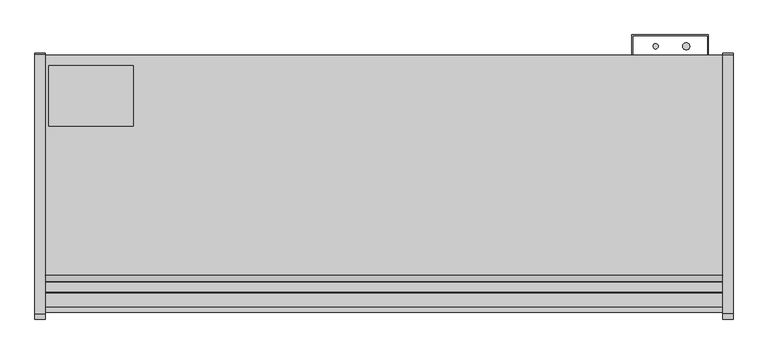
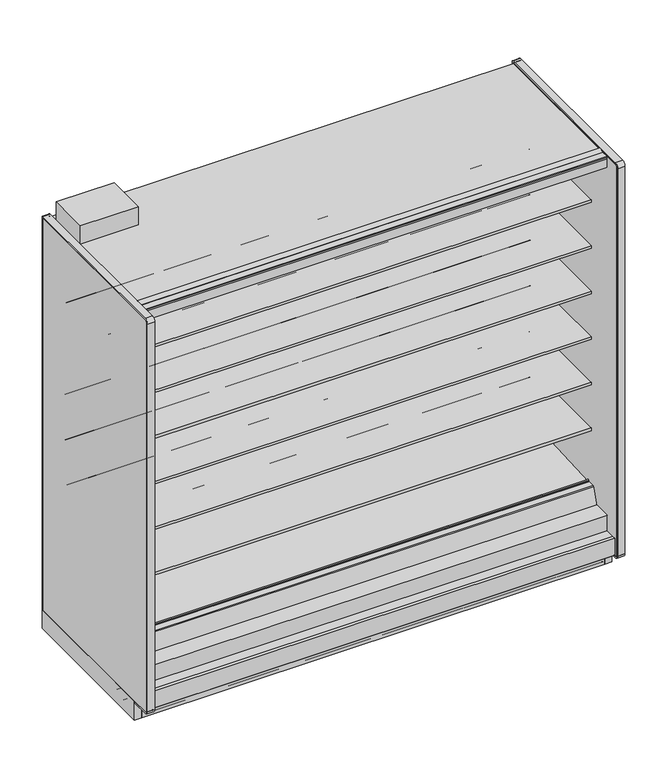
"""IFC4 building model written with IfcOpenShell, lengths in millimetres: proxy geometry."""

from ifc_helpers import new_model, si_unit, point, frame, frame_2d, origin, origin_with_axes, place, context, project, spatial, polyline, circle_curve, trimmed, segment, composite_curve, outline, extrude, source, transform, mapped, element, save
from ifc_brep_helpers import plane_surface, cylinder_surface, revolved_surface, advanced_brep


def mechanical_equipment_7e0e63e9(model_context):
    return source(origin(), model_context, "Body", "SolidModel", [
        extrude(outline(polyline([(2438.4, -1167.5349267), (2438.4, -1183.4099267), (0.0, -1183.4099267), (0.0, -1167.5349267), (2438.4, -1167.5349267)])), origin_with_axes(), (0.0, 0.0, 1.0), 105.16235),
        extrude(outline(polyline([(315.9000882, -386.7007273), (315.9000882, -605.1295388), (11.1115648, -605.1295388), (11.1115648, -386.7007273), (315.9000882, -386.7007273)])), frame((0.0, 0.0, 2282.825), z_axis=(0.0, 0.0, 1.0), x_axis=(1.0, 0.0, 0.0)), (0.0, 0.0, 1.0), 101.6),
        extrude(outline(composite_curve([segment(trimmed(circle_curve(frame_2d((2307.5930803, -317.2571273)), 12.7), [point((2294.8930803, -317.2571273))], [point((2320.2930803, -317.2571273))], False, "CARTESIAN"), True, "CONTINUOUS"), segment(trimmed(circle_curve(frame_2d((2307.5930803, -317.2571273)), 12.7), [point((2320.2930803, -317.2571273))], [point((2294.8930803, -317.2571273))], False, "CARTESIAN"), True, "CONTINUOUS")], self_intersect=False)), frame((0.0, 0.0, 1447.6965458), z_axis=(0.0, 0.0, 1.0), x_axis=(1.0, 0.0, 0.0)), (0.0, 0.0, 1.0), 508.0),
        extrude(outline(composite_curve([segment(trimmed(circle_curve(frame_2d((2197.6004524, -317.2571273)), 9.525), [point((2188.0754524, -317.2571273))], [point((2207.1254524, -317.2571273))], False, "CARTESIAN"), True, "CONTINUOUS"), segment(trimmed(circle_curve(frame_2d((2197.6004524, -317.2571273)), 9.525), [point((2207.1254524, -317.2571273))], [point((2188.0754524, -317.2571273))], False, "CARTESIAN"), True, "CONTINUOUS")], self_intersect=False)), frame((0.0, 0.0, 1447.6965458), z_axis=(0.0, 0.0, 1.0), x_axis=(1.0, 0.0, 0.0)), (0.0, 0.0, 1.0), 508.0),
        extrude(outline(composite_curve([segment(trimmed(circle_curve(frame_2d((2299.2004524, -526.8071273)), 9.525), [point((2289.6754524, -526.8071273))], [point((2308.7254524, -526.8071273))], False, "CARTESIAN"), True, "CONTINUOUS"), segment(trimmed(circle_curve(frame_2d((2299.2004524, -526.8071273)), 9.525), [point((2308.7254524, -526.8071273))], [point((2289.6754524, -526.8071273))], False, "CARTESIAN"), True, "CONTINUOUS")], self_intersect=False)), frame((0.0, 0.0, 57.8450688), z_axis=(0.0, 0.0, 1.0), x_axis=(1.0, 0.0, 0.0)), (0.0, 0.0, 1.0), 47.3172812),
        extrude(outline(composite_curve([segment(trimmed(circle_curve(frame_2d((2345.6930803, -526.8071273)), 12.7), [point((2332.9930803, -526.8071273))], [point((2358.3930803, -526.8071273))], False, "CARTESIAN"), True, "CONTINUOUS"), segment(trimmed(circle_curve(frame_2d((2345.6930803, -526.8071273)), 12.7), [point((2358.3930803, -526.8071273))], [point((2332.9930803, -526.8071273))], False, "CARTESIAN"), True, "CONTINUOUS")], self_intersect=False)), frame((0.0, 0.0, 57.8450688), z_axis=(0.0, 0.0, 1.0), x_axis=(1.0, 0.0, 0.0)), (0.0, 0.0, 1.0), 47.3172812),
        extrude(outline(composite_curve([segment(trimmed(circle_curve(frame_2d((1219.2, -945.9071273)), 38.1), [point((1181.1, -945.9071273))], [point((1257.3, -945.9071273))], False, "CARTESIAN"), True, "CONTINUOUS"), segment(trimmed(circle_curve(frame_2d((1219.2, -945.9071273)), 38.1), [point((1257.3, -945.9071273))], [point((1181.1, -945.9071273))], False, "CARTESIAN"), True, "CONTINUOUS")], self_intersect=False)), frame((0.0, 0.0, 57.8450688), z_axis=(0.0, 0.0, 1.0), x_axis=(1.0, 0.0, 0.0)), (0.0, 0.0, 1.0), 47.3172812),
        extrude(outline(polyline([(114.3, -411.7999572), (114.3, -462.5999572), (0.0, -462.5999572), (0.0, -411.7999572), (114.3, -411.7999572)])), frame((0.0, 0.0, 63.88735), z_axis=(0.0, 0.0, 1.0), x_axis=(1.0, 0.0, 0.0)), (0.0, 0.0, 1.0), 6.35),
        extrude(outline(polyline([(-349.0071273, 2231.5678), (-349.0071273, 105.16235), (-1256.6126273, 105.16235), (-1256.6126273, 201.2447768), (-1205.5205047, 201.2447768), (-1205.5205047, 169.3369447), (-1112.6665508, 150.0632248), (-401.0517273, 187.3573774), (-401.0517273, 2231.5678), (-349.0071273, 2231.5678)])), frame((0.0, 0.0, 0.0), z_axis=(1.0, 0.0, 0.0), x_axis=(0.0, 1.0, 0.0)), (0.0, 0.0, 1.0), 2438.4),
        advanced_brep(
        [(2438.4, -1018.871097, 105.16235), (2438.4, -1022.1071273, 101.9263197), (2438.4, -1022.1071273, 2.3876), (2438.4, -1019.7195273, 0.0), (2438.4, -982.0132273, 0.0), (2438.4, -982.0132273, 70.23735), (2438.4, -383.2457368, 70.23735), (2438.4, -383.2457368, 0.0), (2438.4, -351.3947273, 0.0), (2438.4, -349.0071273, 2.3876), (2438.4, -349.0071273, 100.830191), (2438.4, -353.3392863, 105.16235), (0.0, -1018.871097, 105.16235), (0.0, -353.3392863, 105.16235), (0.0, -349.0071273, 100.830191), (0.0, -349.0071273, 2.3876), (0.0, -351.3947273, 0.0), (0.0, -383.2457368, 0.0), (0.0, -383.2457368, 70.23735), (0.0, -982.0132273, 70.23735), (0.0, -982.0132273, 0.0), (0.0, -1019.7195273, 0.0), (0.0, -1022.1071273, 2.3876), (0.0, -1022.1071273, 101.9263197), (1270.0, -945.9071273, 105.16235), (1168.4, -945.9071273, 105.16235), (2374.9, -526.8071273, 105.16235), (2273.3, -526.8071273, 105.16235), (1183.4650095, -982.0132273, 70.23735), (1254.9349905, -982.0132273, 70.23735), (1270.0, -945.9071273, 70.23735), (1168.4, -945.9071273, 70.23735), (2273.3, -526.8071273, 70.23735), (2374.9, -526.8071273, 70.23735)],
        [
            (0, 1, circle_curve(frame((2438.4, -1018.871097, 101.9263197), z_axis=(1.0, 0.0, 0.0), x_axis=(0.0, 1.0, 0.0)), 3.2360303)),
            (1, 2),
            (2, 3, circle_curve(frame((2438.4, -1019.7195273, 2.3876), z_axis=(1.0, 0.0, 0.0), x_axis=(0.0, 1.0, 0.0)), 2.3876)),
            (3, 4),
            (4, 5),
            (5, 6),
            (6, 7),
            (7, 8),
            (8, 9, circle_curve(frame((2438.4, -351.3947273, 2.3876), z_axis=(1.0, 0.0, 0.0), x_axis=(0.0, 1.0, 0.0)), 2.3876)),
            (9, 10),
            (10, 11, circle_curve(frame((2438.4, -353.3392863, 100.830191), z_axis=(1.0, 0.0, 0.0), x_axis=(0.0, 1.0, 0.0)), 4.332159)),
            (11, 0),
            (12, 13),
            (13, 14, circle_curve(frame((0.0, -353.3392863, 100.830191), z_axis=(-1.0, 0.0, 0.0), x_axis=(0.0, 1.0, 0.0)), 4.332159)),
            (14, 15),
            (15, 16, circle_curve(frame((0.0, -351.3947273, 2.3876), z_axis=(-1.0, 0.0, 0.0), x_axis=(0.0, 1.0, 0.0)), 2.3876)),
            (16, 17),
            (17, 18),
            (18, 19),
            (19, 20),
            (20, 21),
            (21, 22, circle_curve(frame((0.0, -1019.7195273, 2.3876), z_axis=(-1.0, 0.0, 0.0), x_axis=(0.0, 1.0, 0.0)), 2.3876)),
            (22, 23),
            (23, 12, circle_curve(frame((0.0, -1018.871097, 101.9263197), z_axis=(-1.0, 0.0, 0.0), x_axis=(0.0, 1.0, 0.0)), 3.2360303)),
            (10, 14),
            (13, 11),
            (12, 0),
            (24, 25, circle_curve(frame((1219.2, -945.9071273, 105.16235), z_axis=(0.0, 0.0, -1.0), x_axis=(1.0, 0.0, 0.0)), 50.8)),
            (25, 24, circle_curve(frame((1219.2, -945.9071273, 105.16235), z_axis=(0.0, 0.0, -1.0), x_axis=(1.0, 0.0, 0.0)), 50.8)),
            (26, 27, circle_curve(frame((2324.1, -526.8071273, 105.16235), z_axis=(0.0, 0.0, -1.0), x_axis=(1.0, 0.0, 0.0)), 50.8)),
            (27, 26, circle_curve(frame((2324.1, -526.8071273, 105.16235), z_axis=(0.0, 0.0, -1.0), x_axis=(1.0, 0.0, 0.0)), 50.8)),
            (23, 1),
            (22, 2),
            (21, 3),
            (20, 4),
            (19, 28),
            (28, 29),
            (29, 5),
            (29, 30, circle_curve(frame((1219.2, -945.9071273, 70.23735), z_axis=(0.0, 0.0, 1.0), x_axis=(1.0, 0.0, 0.0)), 50.8)),
            (30, 31, circle_curve(frame((1219.2, -945.9071273, 70.23735), z_axis=(0.0, 0.0, 1.0), x_axis=(1.0, 0.0, 0.0)), 50.8)),
            (31, 28, circle_curve(frame((1219.2, -945.9071273, 70.23735), z_axis=(0.0, 0.0, 1.0), x_axis=(1.0, 0.0, 0.0)), 50.8)),
            (18, 6),
            (32, 33, circle_curve(frame((2324.1, -526.8071273, 70.23735), z_axis=(0.0, 0.0, 1.0), x_axis=(1.0, 0.0, 0.0)), 50.8)),
            (33, 32, circle_curve(frame((2324.1, -526.8071273, 70.23735), z_axis=(0.0, 0.0, 1.0), x_axis=(1.0, 0.0, 0.0)), 50.8)),
            (17, 7),
            (16, 8),
            (15, 9),
            (28, 29, circle_curve(frame((1219.2, -945.9071273, 70.23735), z_axis=(0.0, 0.0, 1.0), x_axis=(1.0, 0.0, 0.0)), 50.8)),
            (24, 30),
            (31, 25),
            (32, 27),
            (26, 33),
        ],
        [
            plane_surface(frame((2438.4, -1015.6350667, 101.9263197), z_axis=(1.0, 0.0, 0.0), x_axis=(0.0, 0.0, 1.0))),
            plane_surface(frame((0.0, -1015.6350667, 101.9263197), z_axis=(-1.0, 0.0, 0.0), x_axis=(0.0, 0.0, -1.0))),
            cylinder_surface(frame((0.0, -353.3392863, 100.830191), z_axis=(1.0, 0.0, 0.0), x_axis=(0.0, 1.0, 0.0)), 4.332159),
            plane_surface(frame((2438.4, -353.3392863, 105.16235), z_axis=(0.0, 0.0, 1.0), x_axis=(-1.0, 0.0, 0.0))),
            cylinder_surface(frame((0.0, -1018.871097, 101.9263197), z_axis=(1.0, 0.0, 0.0), x_axis=(0.0, 1.0, 0.0)), 3.2360303),
            plane_surface(frame((2438.4, -1022.1071273, 101.9263197), z_axis=(0.0, -1.0, 0.0), x_axis=(-1.0, 0.0, 0.0))),
            cylinder_surface(frame((0.0, -1019.7195273, 2.3876), z_axis=(1.0, 0.0, 0.0), x_axis=(0.0, 1.0, 0.0)), 2.3876),
            plane_surface(frame((2438.4, -1019.7195273, 0.0), z_axis=(0.0, 0.0, -1.0), x_axis=(-1.0, 0.0, 0.0))),
            plane_surface(frame((2438.4, -982.0132273, 0.0), z_axis=(0.0, 1.0, 0.0), x_axis=(-1.0, 0.0, 0.0))),
            plane_surface(frame((2438.4, -982.0132273, 70.23735), z_axis=(0.0, 0.0, -1.0), x_axis=(-1.0, 0.0, 0.0))),
            plane_surface(frame((2438.4, -383.2457368, 70.23735), z_axis=(0.0, -1.0, 0.0), x_axis=(-1.0, 0.0, 0.0))),
            plane_surface(frame((2438.4, -383.2457368, 0.0), z_axis=(0.0, 0.0, -1.0), x_axis=(-1.0, 0.0, 0.0))),
            cylinder_surface(frame((0.0, -351.3947273, 2.3876), z_axis=(1.0, 0.0, 0.0), x_axis=(0.0, 1.0, 0.0)), 2.3876),
            plane_surface(frame((1270.0, -945.9071273, 70.23735), z_axis=(0.0, 0.0, 1.0), x_axis=(0.0, -1.0, 0.0))),
            revolved_surface(polyline([(1270.0, -945.9071273, 105.16235), (1270.0, -945.9071273, 70.23735)]), (1219.2, -945.9071273, 70.23735), (0.0, 0.0, 1.0)),
            revolved_surface(polyline([(2374.9, -526.8071273, 105.16235), (2374.9, -526.8071273, 70.23735)]), (2324.1, -526.8071273, 0.0), (0.0, 0.0, 1.0)),
            plane_surface(frame((2438.4, -349.0071273, 2.3876), z_axis=(0.0, 1.0, 0.0), x_axis=(-1.0, 0.0, 0.0))),
        ],
        [
            (0, [[1, 2, 3, 4, 5, 6, 7, 8, 9, 10, 11, 12]]),
            (1, [[13, 14, 15, 16, 17, 18, 19, 20, 21, 22, 23, 24]]),
            (2, [[-11, 25, -14, 26]]),
            (3, [[-12, -26, -13, 27], [28, 29], [30, 31]]),
            (4, [[-1, -27, -24, 32]]),
            (5, [[-2, -32, -23, 33]]),
            (6, [[-3, -33, -22, 34]]),
            (7, [[-4, -34, -21, 35]]),
            (8, [[-5, -35, -20, 36, 37, 38]]),
            (9, [[-6, -38, 39, 40, 41, -36, -19, 42], [43, 44]]),
            (10, [[-7, -42, -18, 45]]),
            (11, [[-8, -45, -17, 46]]),
            (12, [[-9, -46, -16, 47]]),
            (13, [[48, -37]]),
            (14, [[49, -39, -48, -41, 50, -28]]),
            (14, [[-49, -29, -50, -40]]),
            (15, [[51, -30, 52, -43]]),
            (15, [[-51, -44, -52, -31]]),
            (16, [[-10, -47, -15, -25]]),
        ],
    ),
        extrude(outline(polyline([(2111.375, -349.0071273), (2111.375, -275.9821273), (2387.6, -275.9821273), (2387.6, -349.0071273), (2384.425, -349.0071273), (2384.425, -279.1571273), (2114.55, -279.1571273), (2114.55, -349.0071273), (2111.375, -349.0071273)])), frame((0.0, 0.0, 304.927), z_axis=(0.0, 0.0, 1.0), x_axis=(1.0, 0.0, 0.0)), (0.0, 0.0, 1.0), 1523.3666145),
        extrude(outline(composite_curve([segment(polyline([(-452.3089273, 610.906076), (-470.5727913, 610.5955195)]), True, "CONTINUOUS"), segment(trimmed(circle_curve(frame_2d((-471.0046274, 635.9918483)), 25.4), [point((-470.5727913, 610.5955195))], [point((-486.9819836, 616.2463656))], False, "CARTESIAN"), True, "CONTINUOUS"), segment(polyline([(-486.9819836, 616.2463656), (-504.8340447, 630.6916311)]), True, "CONTINUOUS"), segment(trimmed(circle_curve(frame_2d((-544.7774354, 581.3279244)), 63.5), [point((-504.8340447, 630.6916311))], [point((-536.8795542, 644.3348563))], True, "CARTESIAN"), True, "CONTINUOUS"), segment(polyline([(-536.8795542, 644.3348563), (-751.3282218, 668.0319937), (-752.8169983, 671.4725458), (-1061.9089273, 671.4725458), (-1061.9089273, 685.6965458), (-452.3089273, 685.6965458), (-452.3089273, 610.906076)]), True, "CONTINUOUS")], self_intersect=False)), frame((0.0, 0.0, 0.0), z_axis=(1.0, 0.0, 0.0), x_axis=(0.0, 1.0, 0.0)), (0.0, 0.0, 1.0), 2438.4),
        extrude(outline(composite_curve([segment(polyline([(-452.3089273, 864.906076), (-470.5727913, 864.5955195)]), True, "CONTINUOUS"), segment(trimmed(circle_curve(frame_2d((-471.0046274, 889.9918483)), 25.4), [point((-470.5727913, 864.5955195))], [point((-486.9819836, 870.2463656))], False, "CARTESIAN"), True, "CONTINUOUS"), segment(polyline([(-486.9819836, 870.2463656), (-504.8340447, 884.6916311)]), True, "CONTINUOUS"), segment(trimmed(circle_curve(frame_2d((-544.7774354, 835.3279244)), 63.5), [point((-504.8340447, 884.6916311))], [point((-536.8795542, 898.3348563))], True, "CARTESIAN"), True, "CONTINUOUS"), segment(polyline([(-536.8795542, 898.3348563), (-751.3282218, 922.0319937), (-752.8169983, 925.4725458), (-1061.9089273, 925.4725458), (-1061.9089273, 939.6965458), (-452.3089273, 939.6965458), (-452.3089273, 864.906076)]), True, "CONTINUOUS")], self_intersect=False)), frame((0.0, 0.0, 0.0), z_axis=(1.0, 0.0, 0.0), x_axis=(0.0, 1.0, 0.0)), (0.0, 0.0, 1.0), 2438.4),
        extrude(outline(composite_curve([segment(polyline([(-452.3089273, 1118.906076), (-470.5727913, 1118.5955195)]), True, "CONTINUOUS"), segment(trimmed(circle_curve(frame_2d((-471.0046274, 1143.9918483)), 25.4), [point((-470.5727913, 1118.5955195))], [point((-486.9819836, 1124.2463656))], False, "CARTESIAN"), True, "CONTINUOUS"), segment(polyline([(-486.9819836, 1124.2463656), (-504.8340447, 1138.6916311)]), True, "CONTINUOUS"), segment(trimmed(circle_curve(frame_2d((-544.7774354, 1089.3279244)), 63.5), [point((-504.8340447, 1138.6916311))], [point((-536.8795542, 1152.3348563))], True, "CARTESIAN"), True, "CONTINUOUS"), segment(polyline([(-536.8795542, 1152.3348563), (-751.3282218, 1176.0319937), (-752.8169983, 1179.4725458), (-1061.9089273, 1179.4725458), (-1061.9089273, 1193.6965458), (-452.3089273, 1193.6965458), (-452.3089273, 1118.906076)]), True, "CONTINUOUS")], self_intersect=False)), frame((0.0, 0.0, 0.0), z_axis=(1.0, 0.0, 0.0), x_axis=(0.0, 1.0, 0.0)), (0.0, 0.0, 1.0), 2438.4),
        extrude(outline(composite_curve([segment(polyline([(-452.3089273, 1372.906076), (-470.5727913, 1372.5955195)]), True, "CONTINUOUS"), segment(trimmed(circle_curve(frame_2d((-471.0046274, 1397.9918483)), 25.4), [point((-470.5727913, 1372.5955195))], [point((-486.9819836, 1378.2463656))], False, "CARTESIAN"), True, "CONTINUOUS"), segment(polyline([(-486.9819836, 1378.2463656), (-504.8340447, 1392.6916311)]), True, "CONTINUOUS"), segment(trimmed(circle_curve(frame_2d((-544.7774354, 1343.3279244)), 63.5), [point((-504.8340447, 1392.6916311))], [point((-536.8795542, 1406.3348563))], True, "CARTESIAN"), True, "CONTINUOUS"), segment(polyline([(-536.8795542, 1406.3348563), (-751.3282218, 1430.0319937), (-752.8169983, 1433.4725458), (-1061.9089273, 1433.4725458), (-1061.9089273, 1447.6965458), (-452.3089273, 1447.6965458), (-452.3089273, 1372.906076)]), True, "CONTINUOUS")], self_intersect=False)), frame((0.0, 0.0, 0.0), z_axis=(1.0, 0.0, 0.0), x_axis=(0.0, 1.0, 0.0)), (0.0, 0.0, 1.0), 2438.4),
        extrude(outline(composite_curve([segment(polyline([(-452.3089273, 1626.906076), (-470.5727913, 1626.5955195)]), True, "CONTINUOUS"), segment(trimmed(circle_curve(frame_2d((-471.0046274, 1651.9918483)), 25.4), [point((-470.5727913, 1626.5955195))], [point((-486.9819836, 1632.2463656))], False, "CARTESIAN"), True, "CONTINUOUS"), segment(polyline([(-486.9819836, 1632.2463656), (-504.8340447, 1646.6916311)]), True, "CONTINUOUS"), segment(trimmed(circle_curve(frame_2d((-544.7774354, 1597.3279244)), 63.5), [point((-504.8340447, 1646.6916311))], [point((-536.8795542, 1660.3348563))], True, "CARTESIAN"), True, "CONTINUOUS"), segment(polyline([(-536.8795542, 1660.3348563), (-751.3282218, 1684.0319937), (-752.8169983, 1687.4725458), (-1061.9089273, 1687.4725458), (-1061.9089273, 1701.6965458), (-452.3089273, 1701.6965458), (-452.3089273, 1626.906076)]), True, "CONTINUOUS")], self_intersect=False)), frame((0.0, 0.0, 0.0), z_axis=(1.0, 0.0, 0.0), x_axis=(0.0, 1.0, 0.0)), (0.0, 0.0, 1.0), 2438.4),
        extrude(outline(composite_curve([segment(polyline([(-452.3089273, 1880.906076), (-470.5727913, 1880.5955195)]), True, "CONTINUOUS"), segment(trimmed(circle_curve(frame_2d((-471.0046274, 1905.9918483)), 25.4), [point((-470.5727913, 1880.5955195))], [point((-486.9819836, 1886.2463656))], False, "CARTESIAN"), True, "CONTINUOUS"), segment(polyline([(-486.9819836, 1886.2463656), (-504.8340447, 1900.6916311)]), True, "CONTINUOUS"), segment(trimmed(circle_curve(frame_2d((-544.7774354, 1851.3279244)), 63.5), [point((-504.8340447, 1900.6916311))], [point((-536.8795542, 1914.3348563))], True, "CARTESIAN"), True, "CONTINUOUS"), segment(polyline([(-536.8795542, 1914.3348563), (-751.3282218, 1938.0319937), (-752.8169983, 1941.4725458), (-1061.9089273, 1941.4725458), (-1061.9089273, 1955.6965458), (-452.3089273, 1955.6965458), (-452.3089273, 1880.906076)]), True, "CONTINUOUS")], self_intersect=False)), frame((0.0, 0.0, 0.0), z_axis=(1.0, 0.0, 0.0), x_axis=(0.0, 1.0, 0.0)), (0.0, 0.0, 1.0), 2438.4),
        advanced_brep(
        [(2438.4, -562.1054156, 392.489408), (2438.4, -565.4345004, 395.3833373), (2438.4, -1028.1778581, 371.1319845), (2438.4, -1031.8816746, 374.3516629), (2438.4, -1032.3723429, 379.9600263), (2438.4, -1039.3602618, 380.0840123), (2438.4, -1037.6796074, 360.8740328), (2438.4, -1031.0214377, 355.0861739), (2438.4, -564.4043684, 379.5405382), (2438.4, -561.4040704, 382.9438378), (0.0, -562.1054156, 392.489408), (0.0, -561.4040704, 382.9438378), (0.0, -564.4043684, 379.5405382), (0.0, -1031.0214377, 355.0861739), (0.0, -1037.6796074, 360.8740328), (0.0, -1039.3602618, 380.0840123), (0.0, -1032.4336802, 379.95466), (0.0, -1031.8816746, 374.3516629), (0.0, -1028.1778581, 371.1319845), (0.0, -565.4345004, 395.3833373)],
        [
            (0, 1, circle_curve(frame((2438.4, -565.2683338, 392.2126885), z_axis=(1.0, 0.0, 0.0), x_axis=(0.0, 1.0, 0.0)), 3.175)),
            (1, 2),
            (2, 3, circle_curve(frame((2438.4, -1028.362729, 374.6595308), z_axis=(-1.0, 0.0, 0.0), x_axis=(0.0, 1.0, 0.0)), 3.5323874)),
            (3, 4),
            (4, 5, circle_curve(frame((2438.4, -1035.9038485, 379.6510595), z_axis=(1.0, 0.0, 0.0), x_axis=(0.0, 1.0, 0.0)), 3.4834238)),
            (5, 6),
            (6, 7, circle_curve(frame((2438.4, -1031.353771, 361.4274714), z_axis=(1.0, 0.0, 0.0), x_axis=(0.0, 1.0, 0.0)), 6.35)),
            (7, 8),
            (8, 9, circle_curve(frame((2438.4, -564.5705351, 382.711187), z_axis=(1.0, 0.0, 0.0), x_axis=(0.0, 1.0, 0.0)), 3.175)),
            (9, 0),
            (10, 11),
            (11, 12, circle_curve(frame((0.0, -564.5705351, 382.711187), z_axis=(-1.0, 0.0, 0.0), x_axis=(0.0, 1.0, 0.0)), 3.175)),
            (12, 13),
            (13, 14, circle_curve(frame((0.0, -1031.353771, 361.4274714), z_axis=(-1.0, 0.0, 0.0), x_axis=(0.0, 1.0, 0.0)), 6.35)),
            (14, 15),
            (15, 16, circle_curve(frame((0.0, -1035.9038485, 379.6510595), z_axis=(-1.0, 0.0, 0.0), x_axis=(0.0, 1.0, 0.0)), 3.4834238)),
            (16, 17),
            (17, 18, circle_curve(frame((0.0, -1028.362729, 374.6595308), z_axis=(1.0, 0.0, 0.0), x_axis=(0.0, 1.0, 0.0)), 3.5323874)),
            (18, 19),
            (19, 10, circle_curve(frame((0.0, -565.2683338, 392.2126885), z_axis=(-1.0, 0.0, 0.0), x_axis=(0.0, 1.0, 0.0)), 3.175)),
            (0, 10),
            (19, 1),
            (18, 2),
            (17, 3),
            (16, 4),
            (15, 5),
            (14, 6),
            (13, 7),
            (12, 8),
            (11, 9),
        ],
        [
            plane_surface(frame((2438.4, -562.0933338, 392.2126885), z_axis=(1.0, 0.0, 0.0), x_axis=(0.0, 0.0, 1.0))),
            plane_surface(frame((0.0, -562.0933338, 392.2126885), z_axis=(-1.0, 0.0, 0.0), x_axis=(0.0, 0.0, -1.0))),
            cylinder_surface(frame((0.0, -565.2683338, 392.2126885), z_axis=(1.0, 0.0, 0.0), x_axis=(0.0, 1.0, 0.0)), 3.175),
            plane_surface(frame((2438.4, -565.4345004, 395.3833373), z_axis=(0.0, -0.05233595857633936, 0.9986295346322859), x_axis=(-1.0, 0.0, 0.0))),
            revolved_surface(polyline([(0.0, -1024.8303415999999, 374.6595308), (2438.4, -1024.8303415999999, 374.6595308)]), (0.0, -1028.362729, 374.6595308), (-1.0, 0.0, 0.0)),
            plane_surface(frame((2438.4, -1031.8816746, 374.3516629), z_axis=(0.0, 0.9961946955698885, 0.08715577157261226), x_axis=(-1.0, 0.0, 0.0))),
            cylinder_surface(frame((0.0, -1035.9038485, 379.6510595), z_axis=(1.0, 0.0, 0.0), x_axis=(0.0, 1.0, 0.0)), 3.4834238),
            plane_surface(frame((2438.4, -1039.3602618, 380.0840123), z_axis=(0.0, -0.9961947025639891, -0.08715569162966595), x_axis=(-1.0, 0.0, 0.0))),
            cylinder_surface(frame((0.0, -1031.353771, 361.4274714), z_axis=(1.0, 0.0, 0.0), x_axis=(0.0, 1.0, 0.0)), 6.35),
            plane_surface(frame((2438.4, -1031.0214377, 355.0861739), z_axis=(0.0, 0.05233595624300962, -0.9986295347545704), x_axis=(-1.0, 0.0, 0.0))),
            cylinder_surface(frame((0.0, -564.5705351, 382.711187), z_axis=(1.0, 0.0, 0.0), x_axis=(0.0, 1.0, 0.0)), 3.175),
            plane_surface(frame((2438.4, -561.4040704, 382.9438378), z_axis=(0.0, 0.9973117114183065, 0.07327585050948633), x_axis=(-1.0, 0.0, 0.0))),
        ],
        [
            (0, [[1, 2, 3, 4, 5, 6, 7, 8, 9, 10]]),
            (1, [[11, 12, 13, 14, 15, 16, 17, 18, 19, 20]]),
            (2, [[-1, 21, -20, 22]]),
            (3, [[-2, -22, -19, 23]]),
            (4, [[-3, -23, -18, 24]]),
            (5, [[-4, -24, -17, 25]]),
            (6, [[-5, -25, -16, 26]]),
            (7, [[-6, -26, -15, 27]]),
            (8, [[-7, -27, -14, 28]]),
            (9, [[-8, -28, -13, 29]]),
            (10, [[-9, -29, -12, 30]]),
            (11, [[-10, -30, -11, -21]]),
        ],
    ),
        extrude(outline(composite_curve([segment(polyline([(-452.3089273, 2205.7106), (-1055.5314174, 2205.7106), (-1076.6649541, 2210.5896614), (-1079.1443307, 2198.9251118)]), True, "CONTINUOUS"), segment(trimmed(circle_curve(frame_2d((-1080.6350276, 2199.2419692)), 1.524), [point((-1079.1443307, 2198.9251118))], [point((-1080.9518851, 2197.7512722))], False, "CARTESIAN"), True, "CONTINUOUS"), segment(polyline([(-1080.9518851, 2197.7512722), (-1146.9989273, 2211.7900045), (-1146.9989273, 2210.4040825)]), True, "CONTINUOUS"), segment(trimmed(circle_curve(frame_2d((-1149.3773588, 2210.6131219)), 2.3876), [point((-1146.9989273, 2210.4040825))], [point((-1149.3773097, 2208.2255219))], False, "CARTESIAN"), True, "CONTINUOUS"), segment(polyline([(-1149.3773097, 2208.2255219), (-1160.0080838, 2208.2253035), (-1160.0080838, 2223.5012119), (-1205.5205273, 2223.5012119), (-1205.5205273, 2282.0376)]), True, "CONTINUOUS"), segment(trimmed(circle_curve(frame_2d((-1204.7331273, 2282.0376)), 0.7874), [point((-1205.5205273, 2282.0376))], [point((-1204.7331273, 2282.825))], False, "CARTESIAN"), True, "CONTINUOUS"), segment(polyline([(-1204.7331273, 2282.825), (-349.0071273, 2282.825), (-349.0071273, 2231.5678), (-452.3089273, 2231.5678), (-452.3089273, 2205.7106)]), True, "CONTINUOUS")], self_intersect=False)), frame((0.0, 0.0, 0.0), z_axis=(1.0, 0.0, 0.0), x_axis=(0.0, 1.0, 0.0)), (0.0, 0.0, 1.0), 2438.4),
        extrude(outline(composite_curve([segment(polyline([(-1263.5976273, 105.16235), (-1274.6466273, 105.16235)]), True, "CONTINUOUS"), segment(trimmed(circle_curve(frame_2d((-1274.6466273, 106.81335)), 1.651), [point((-1274.6466273, 105.16235))], [point((-1276.2976273, 106.81335))], False, "CARTESIAN"), True, "CONTINUOUS"), segment(polyline([(-1276.2976273, 106.81335), (-1276.2976273, 201.2447768), (-1256.6126273, 201.2447768), (-1256.6126273, 106.62285), (-1263.5976273, 106.62285), (-1263.5976273, 105.16235)]), True, "CONTINUOUS")], self_intersect=False)), frame((0.0, 0.0, 0.0), z_axis=(1.0, 0.0, 0.0), x_axis=(0.0, 1.0, 0.0)), (0.0, 0.0, 1.0), 2438.4),
        extrude(outline(composite_curve([segment(polyline([(-1205.5205047, 288.3361558), (-1111.5273572, 288.3361558), (-1083.6940162, 372.3488205)]), True, "CONTINUOUS"), segment(trimmed(circle_curve(frame_2d((-1077.6662092, 370.3518119)), 6.35), [point((-1083.6940162, 372.3488205))], [point((-1077.6662092, 376.7018119))], False, "CARTESIAN"), True, "CONTINUOUS"), segment(polyline([(-1077.6662092, 376.7018119), (-1043.9140632, 376.7018119)]), True, "CONTINUOUS"), segment(trimmed(circle_curve(frame_2d((-1043.9140632, 372.471676)), 4.2301359), [point((-1043.9140632, 376.7018119))], [point((-1039.6839273, 372.471676))], False, "CARTESIAN"), True, "CONTINUOUS"), segment(polyline([(-1039.6839273, 372.471676), (-1039.6839273, 354.632192), (-560.553361, 379.742361), (-560.9721481, 391.7348557)]), True, "CONTINUOUS"), segment(trimmed(circle_curve(frame_2d((-556.4536725, 391.8926443)), 4.5212298), [point((-560.9721481, 391.7348557))], [point((-556.6114611, 396.41112))], False, "CARTESIAN"), True, "CONTINUOUS"), segment(polyline([(-556.6114611, 396.41112), (-470.3276537, 399.4242169)]), True, "CONTINUOUS"), segment(trimmed(circle_curve(frame_2d((-470.3772309, 400.8439205)), 1.420569), [point((-470.3276537, 399.4242169))], [point((-468.9575273, 400.8934976))], True, "CARTESIAN"), True, "CONTINUOUS"), segment(polyline([(-468.9575273, 400.8934976), (-469.2184151, 408.3643476)]), True, "CONTINUOUS"), segment(trimmed(circle_curve(frame_2d((-467.1682375, 408.4359413)), 2.0514273), [point((-469.2184151, 408.3643476))], [point((-467.2398313, 410.486119))], False, "CARTESIAN"), True, "CONTINUOUS"), segment(polyline([(-467.2398313, 410.486119), (-452.3089273, 411.0075176), (-452.3089273, 263.5334166), (-401.0517273, 263.5334166), (-401.0517273, 187.3573774), (-1112.6665508, 150.0632248), (-1205.5205047, 169.3369447), (-1205.5205047, 288.3361558)]), True, "CONTINUOUS")], self_intersect=False)), frame((0.0, 0.0, 0.0), z_axis=(1.0, 0.0, 0.0), x_axis=(0.0, 1.0, 0.0)), (0.0, 0.0, 1.0), 2438.4),
        extrude(outline(polyline([(2438.4, -401.0517273), (2438.4, -452.3089273), (0.0, -452.3089273), (0.0, -401.0517273), (2438.4, -401.0517273)])), frame((0.0, 0.0, 263.5334166), z_axis=(0.0, 0.0, 1.0), x_axis=(1.0, 0.0, 0.0)), (0.0, 0.0, 1.0), 1968.0343834),
        extrude(outline(composite_curve([segment(polyline([(-996.7011791, 30.0863), (-1022.1071273, 30.150134), (-1022.1071273, 1.512412), (-1162.480805, 1.5240398)]), True, "CONTINUOUS"), segment(trimmed(circle_curve(frame_2d((-1162.4803863, 6.5785802)), 5.0545404), [point((-1162.480805, 1.5240398))], [point((-1167.5349267, 6.5785802))], False, "CARTESIAN"), True, "CONTINUOUS"), segment(polyline([(-1167.5349267, 6.5785802), (-1167.5349267, 105.16235), (-996.7011791, 105.16235), (-996.7011791, 30.0863)]), True, "CONTINUOUS")], self_intersect=False)), frame((0.0, 0.0, 0.0), z_axis=(1.0, 0.0, 0.0), x_axis=(0.0, 1.0, 0.0)), (0.0, 0.0, 1.0), 2438.4),
        extrude(outline(composite_curve([segment(polyline([(-981.2258273, 0.0), (-1016.1381273, 0.0)]), True, "CONTINUOUS"), segment(trimmed(circle_curve(frame_2d((-1016.1381273, 5.1562)), 5.1562), [point((-1016.1381273, 0.0))], [point((-1021.2943273, 5.1562))], False, "CARTESIAN"), True, "CONTINUOUS"), segment(polyline([(-1021.2943273, 5.1562), (-1021.2943273, 24.892), (-1018.5257273, 24.892), (-1018.5257273, 5.1562)]), True, "CONTINUOUS"), segment(trimmed(circle_curve(frame_2d((-1016.1381273, 5.1562)), 2.3876), [point((-1018.5257273, 5.1562))], [point((-1016.1381273, 2.7686))], True, "CARTESIAN"), True, "CONTINUOUS"), segment(polyline([(-1016.1381273, 2.7686), (-981.2258273, 2.7686)]), True, "CONTINUOUS"), segment(trimmed(circle_curve(frame_2d((-981.2258273, 5.1562)), 2.3876), [point((-981.2258273, 2.7686))], [point((-978.8382273, 5.1562))], True, "CARTESIAN"), True, "CONTINUOUS"), segment(polyline([(-978.8382273, 5.1562), (-978.8382273, 20.5359)]), True, "CONTINUOUS"), segment(trimmed(circle_curve(frame_2d((-973.6820273, 20.5359)), 5.1562), [point((-978.8382273, 20.5359))], [point((-973.6820273, 25.6921))], False, "CARTESIAN"), True, "CONTINUOUS"), segment(polyline([(-973.6820273, 25.6921), (-962.4552273, 25.6921)]), True, "CONTINUOUS"), segment(trimmed(circle_curve(frame_2d((-962.4552273, 20.5359)), 5.1562), [point((-962.4552273, 25.6921))], [point((-957.2990273, 20.5359))], False, "CARTESIAN"), True, "CONTINUOUS"), segment(polyline([(-957.2990273, 20.5359), (-957.2990273, 5.1054), (-960.0676273, 5.1054), (-960.0676273, 20.5359)]), True, "CONTINUOUS"), segment(trimmed(circle_curve(frame_2d((-962.4552273, 20.5359)), 2.3876), [point((-960.0676273, 20.5359))], [point((-962.4552273, 22.9235))], True, "CARTESIAN"), True, "CONTINUOUS"), segment(polyline([(-962.4552273, 22.9235), (-973.6820273, 22.9235)]), True, "CONTINUOUS"), segment(trimmed(circle_curve(frame_2d((-973.6820273, 20.5359)), 2.3876), [point((-973.6820273, 22.9235))], [point((-976.0696273, 20.5359))], True, "CARTESIAN"), True, "CONTINUOUS"), segment(polyline([(-976.0696273, 20.5359), (-976.0696273, 5.1562)]), True, "CONTINUOUS"), segment(trimmed(circle_curve(frame_2d((-981.2258273, 5.1562)), 5.1562), [point((-976.0696273, 5.1562))], [point((-981.2258273, 0.0))], False, "CARTESIAN"), True, "CONTINUOUS")], self_intersect=False)), frame((0.0, 0.0, 0.0), z_axis=(1.0, 0.0, 0.0), x_axis=(0.0, 1.0, 0.0)), (0.0, 0.0, 1.0), 2438.4),
        extrude(outline(composite_curve([segment(trimmed(circle_curve(frame_2d((-389.0756273, 5.1562)), 5.1562), [point((-389.0756273, 0.0))], [point((-394.2318273, 5.1562))], False, "CARTESIAN"), True, "CONTINUOUS"), segment(polyline([(-394.2318273, 5.1562), (-394.2318273, 20.5359)]), True, "CONTINUOUS"), segment(trimmed(circle_curve(frame_2d((-396.6194273, 20.5359)), 2.3876), [point((-394.2318273, 20.5359))], [point((-396.6194273, 22.9235))], True, "CARTESIAN"), True, "CONTINUOUS"), segment(polyline([(-396.6194273, 22.9235), (-407.8462273, 22.9235)]), True, "CONTINUOUS"), segment(trimmed(circle_curve(frame_2d((-407.8462273, 20.5359)), 2.3876), [point((-407.8462273, 22.9235))], [point((-410.2338273, 20.5359))], True, "CARTESIAN"), True, "CONTINUOUS"), segment(polyline([(-410.2338273, 20.5359), (-410.2338273, 5.1054), (-413.0024273, 5.1054), (-413.0024273, 20.5359)]), True, "CONTINUOUS"), segment(trimmed(circle_curve(frame_2d((-407.8462273, 20.5359)), 5.1562), [point((-413.0024273, 20.5359))], [point((-407.8462273, 25.6921))], False, "CARTESIAN"), True, "CONTINUOUS"), segment(polyline([(-407.8462273, 25.6921), (-396.6194273, 25.6921)]), True, "CONTINUOUS"), segment(trimmed(circle_curve(frame_2d((-396.6194273, 20.5359)), 5.1562), [point((-396.6194273, 25.6921))], [point((-391.4632273, 20.5359))], False, "CARTESIAN"), True, "CONTINUOUS"), segment(polyline([(-391.4632273, 20.5359), (-391.4632273, 5.1562)]), True, "CONTINUOUS"), segment(trimmed(circle_curve(frame_2d((-389.0756273, 5.1562)), 2.3876), [point((-391.4632273, 5.1562))], [point((-389.0756273, 2.7686))], True, "CARTESIAN"), True, "CONTINUOUS"), segment(polyline([(-389.0756273, 2.7686), (-354.1633273, 2.7686)]), True, "CONTINUOUS"), segment(trimmed(circle_curve(frame_2d((-354.1633273, 5.1562)), 2.3876), [point((-354.1633273, 2.7686))], [point((-351.7757273, 5.1562))], True, "CARTESIAN"), True, "CONTINUOUS"), segment(polyline([(-351.7757273, 5.1562), (-351.7757273, 24.892), (-349.0071273, 24.892), (-349.0071273, 5.1562)]), True, "CONTINUOUS"), segment(trimmed(circle_curve(frame_2d((-354.1633273, 5.1562)), 5.1562), [point((-349.0071273, 5.1562))], [point((-354.1633273, 0.0))], False, "CARTESIAN"), True, "CONTINUOUS"), segment(polyline([(-354.1633273, 0.0), (-389.0756273, 0.0)]), True, "CONTINUOUS")], self_intersect=False)), frame((0.0, 0.0, 0.0), z_axis=(1.0, 0.0, 0.0), x_axis=(0.0, 1.0, 0.0)), (0.0, 0.0, 1.0), 2438.4),
        extrude(outline(composite_curve([segment(polyline([(-1144.001082, 2296.5368641), (-1143.416882, 2295.525), (-1164.9600823, 2283.0870275)]), True, "CONTINUOUS"), segment(trimmed(circle_curve(frame_2d((-1165.9379823, 2284.7808)), 1.9558), [point((-1164.9600823, 2283.0870275))], [point((-1165.9379823, 2282.825))], False, "CARTESIAN"), True, "CONTINUOUS"), segment(polyline([(-1165.9379823, 2282.825), (-1204.7331273, 2282.825)]), True, "CONTINUOUS"), segment(trimmed(circle_curve(frame_2d((-1204.7331273, 2282.0376)), 0.7874), [point((-1204.7331273, 2282.825))], [point((-1205.5205273, 2282.0376))], True, "CARTESIAN"), True, "CONTINUOUS"), segment(polyline([(-1205.5205273, 2282.0376), (-1205.5205273, 2273.7945109), (-1206.6889273, 2273.7945109), (-1206.6889273, 2282.0376)]), True, "CONTINUOUS"), segment(trimmed(circle_curve(frame_2d((-1204.7331273, 2282.0376)), 1.9558), [point((-1206.6889273, 2282.0376))], [point((-1204.7331273, 2283.9934))], False, "CARTESIAN"), True, "CONTINUOUS"), segment(polyline([(-1204.7331273, 2283.9934), (-1166.4578095, 2283.9934)]), True, "CONTINUOUS"), segment(trimmed(circle_curve(frame_2d((-1166.4578095, 2286.7208214)), 2.7274214), [point((-1166.4578095, 2283.9934))], [point((-1165.0940988, 2284.3588052))], True, "CARTESIAN"), True, "CONTINUOUS"), segment(polyline([(-1165.0940988, 2284.3588052), (-1144.001082, 2296.5368641)]), True, "CONTINUOUS")], self_intersect=False)), frame((0.0, 0.0, 0.0), z_axis=(1.0, 0.0, 0.0), x_axis=(0.0, 1.0, 0.0)), (0.0, 0.0, 1.0), 2438.4),
        extrude(outline(polyline([(2476.5, -341.3672835), (2476.5, -1183.4099267), (2438.4, -1183.4099267), (2438.4, -341.3672835), (2476.5, -341.3672835)])), origin_with_axes(), (0.0, 0.0, 1.0), 105.16235),
        extrude(outline(composite_curve([segment(trimmed(circle_curve(frame_2d((-1282.3671768, 117.86235)), 12.7), [point((-1295.0671768, 117.86235))], [point((-1282.3671768, 105.16235))], True, "CARTESIAN"), True, "CONTINUOUS"), segment(polyline([(-1282.3671768, 105.16235), (-1183.4099267, 105.16235), (-1183.4099267, 97.5225063), (-1282.3671768, 97.5225063)]), True, "CONTINUOUS"), segment(trimmed(circle_curve(frame_2d((-1282.3671768, 117.86235)), 20.3398438), [point((-1282.3671768, 97.5225063))], [point((-1302.7070205, 117.86235))], False, "CARTESIAN"), True, "CONTINUOUS"), segment(polyline([(-1302.7070205, 117.86235), (-1302.7070205, 2276.475)]), True, "CONTINUOUS"), segment(trimmed(circle_curve(frame_2d((-1282.3671768, 2276.475)), 20.3398437), [point((-1302.7070205, 2276.475))], [point((-1282.3671768, 2296.8148438))], False, "CARTESIAN"), True, "CONTINUOUS"), segment(polyline([(-1282.3671768, 2296.8148438), (-347.7172835, 2296.8148438)]), True, "CONTINUOUS"), segment(trimmed(circle_curve(frame_2d((-347.7172835, 2290.4648438)), 6.35), [point((-347.7172835, 2296.8148438))], [point((-341.3672835, 2290.4648438))], False, "CARTESIAN"), True, "CONTINUOUS"), segment(polyline([(-341.3672835, 2290.4648438), (-341.3672835, 105.16235), (-349.0071273, 105.16235), (-349.0071273, 2282.825)]), True, "CONTINUOUS"), segment(trimmed(circle_curve(frame_2d((-355.3571273, 2282.825)), 6.35), [point((-349.0071273, 2282.825))], [point((-355.3571273, 2289.175))], True, "CARTESIAN"), True, "CONTINUOUS"), segment(polyline([(-355.3571273, 2289.175), (-1282.3671768, 2289.175)]), True, "CONTINUOUS"), segment(trimmed(circle_curve(frame_2d((-1282.3671768, 2276.475)), 12.7), [point((-1282.3671768, 2289.175))], [point((-1295.0671768, 2276.475))], True, "CARTESIAN"), True, "CONTINUOUS"), segment(polyline([(-1295.0671768, 2276.475), (-1295.0671768, 117.86235)]), True, "CONTINUOUS")], self_intersect=False)), frame((2438.4, 0.0, 0.0), z_axis=(1.0, 0.0, 0.0), x_axis=(0.0, 1.0, 0.0)), (0.0, 0.0, 1.0), 38.1),
        extrude(outline(composite_curve([segment(polyline([(-1282.3671768, 2289.175), (-355.3571273, 2289.175)]), True, "CONTINUOUS"), segment(trimmed(circle_curve(frame_2d((-355.3571273, 2282.825)), 6.35), [point((-355.3571273, 2289.175))], [point((-349.0071273, 2282.825))], False, "CARTESIAN"), True, "CONTINUOUS"), segment(polyline([(-349.0071273, 2282.825), (-349.0071273, 105.16235), (-1282.3671768, 105.16235)]), True, "CONTINUOUS"), segment(trimmed(circle_curve(frame_2d((-1282.3671768, 117.86235)), 12.7), [point((-1282.3671768, 105.16235))], [point((-1295.0671768, 117.86235))], False, "CARTESIAN"), True, "CONTINUOUS"), segment(polyline([(-1295.0671768, 117.86235), (-1295.0671768, 2276.475)]), True, "CONTINUOUS"), segment(trimmed(circle_curve(frame_2d((-1282.3671768, 2276.475)), 12.7), [point((-1295.0671768, 2276.475))], [point((-1282.3671768, 2289.175))], False, "CARTESIAN"), True, "CONTINUOUS")], self_intersect=False)), frame((2438.4, 0.0, 0.0), z_axis=(1.0, 0.0, 0.0), x_axis=(0.0, 1.0, 0.0)), (0.0, 0.0, 1.0), 38.1),
        extrude(outline(polyline([(0.0, -341.3672835), (0.0, -1183.4099267), (-38.1, -1183.4099267), (-38.1, -341.3672835), (0.0, -341.3672835)])), origin_with_axes(), (0.0, 0.0, 1.0), 105.16235),
        extrude(outline(composite_curve([segment(trimmed(circle_curve(frame_2d((-1282.3671768, 2276.475)), 12.7), [point((-1282.3671768, 2289.175))], [point((-1295.0671768, 2276.475))], True, "CARTESIAN"), True, "CONTINUOUS"), segment(polyline([(-1295.0671768, 2276.475), (-1295.0671768, 117.86235)]), True, "CONTINUOUS"), segment(trimmed(circle_curve(frame_2d((-1282.3671768, 117.86235)), 12.7), [point((-1295.0671768, 117.86235))], [point((-1282.3671768, 105.16235))], True, "CARTESIAN"), True, "CONTINUOUS"), segment(polyline([(-1282.3671768, 105.16235), (-1183.4099267, 105.16235), (-1183.4099267, 97.5225063), (-1282.3671768, 97.5225063)]), True, "CONTINUOUS"), segment(trimmed(circle_curve(frame_2d((-1282.3671768, 117.86235)), 20.3398438), [point((-1282.3671768, 97.5225063))], [point((-1302.7070205, 117.86235))], False, "CARTESIAN"), True, "CONTINUOUS"), segment(polyline([(-1302.7070205, 117.86235), (-1302.7070205, 2276.475)]), True, "CONTINUOUS"), segment(trimmed(circle_curve(frame_2d((-1282.3671768, 2276.475)), 20.3398437), [point((-1302.7070205, 2276.475))], [point((-1282.3671768, 2296.8148438))], False, "CARTESIAN"), True, "CONTINUOUS"), segment(polyline([(-1282.3671768, 2296.8148438), (-347.7172835, 2296.8148438)]), True, "CONTINUOUS"), segment(trimmed(circle_curve(frame_2d((-347.7172835, 2290.4648438)), 6.35), [point((-347.7172835, 2296.8148438))], [point((-341.3672835, 2290.4648438))], False, "CARTESIAN"), True, "CONTINUOUS"), segment(polyline([(-341.3672835, 2290.4648438), (-341.3672835, 105.16235), (-349.0071273, 105.16235), (-349.0071273, 2282.825)]), True, "CONTINUOUS"), segment(trimmed(circle_curve(frame_2d((-355.3571273, 2282.825)), 6.35), [point((-349.0071273, 2282.825))], [point((-355.3571273, 2289.175))], True, "CARTESIAN"), True, "CONTINUOUS"), segment(polyline([(-355.3571273, 2289.175), (-1282.3671768, 2289.175)]), True, "CONTINUOUS")], self_intersect=False)), frame((-38.1, 0.0, 0.0), z_axis=(1.0, 0.0, 0.0), x_axis=(0.0, 1.0, 0.0)), (0.0, 0.0, 1.0), 38.1),
        extrude(outline(composite_curve([segment(polyline([(-1282.3671768, 2289.175), (-355.3571273, 2289.175)]), True, "CONTINUOUS"), segment(trimmed(circle_curve(frame_2d((-355.3571273, 2282.825)), 6.35), [point((-355.3571273, 2289.175))], [point((-349.0071273, 2282.825))], False, "CARTESIAN"), True, "CONTINUOUS"), segment(polyline([(-349.0071273, 2282.825), (-349.0071273, 105.16235), (-1282.3671768, 105.16235)]), True, "CONTINUOUS"), segment(trimmed(circle_curve(frame_2d((-1282.3671768, 117.86235)), 12.7), [point((-1282.3671768, 105.16235))], [point((-1295.0671768, 117.86235))], False, "CARTESIAN"), True, "CONTINUOUS"), segment(polyline([(-1295.0671768, 117.86235), (-1295.0671768, 2276.475)]), True, "CONTINUOUS"), segment(trimmed(circle_curve(frame_2d((-1282.3671768, 2276.475)), 12.7), [point((-1295.0671768, 2276.475))], [point((-1282.3671768, 2289.175))], False, "CARTESIAN"), True, "CONTINUOUS")], self_intersect=False)), frame((-38.1, 0.0, 0.0), z_axis=(1.0, 0.0, 0.0), x_axis=(0.0, 1.0, 0.0)), (0.0, 0.0, 1.0), 38.1),
    ])


if __name__ == "__main__":
    model = new_model("IFC4")
    model_context = context("Model", 3, world=origin())
    ifc_project = project(units=[si_unit("LENGTHUNIT", "METRE", prefix="MILLI")], contexts=[model_context])
    site = spatial("IfcSite", under=ifc_project)
    building = spatial("IfcBuilding", under=site)
    placement = place(None, origin())
    mechanical_equipment_shape = mechanical_equipment_7e0e63e9(model_context)
    element("IfcBuildingElementProxy", 1, Name="Mechanical Equipment", at=placement, inside=building, context=model_context, shape_type="MappedRepresentation", body=[
        mapped(mechanical_equipment_shape, transform((0.0, 0.0, 0.0), x_axis=(1.0, 0.0, 0.0), y_axis=(0.0, 1.0, 0.0), z_axis=(0.0, 0.0, 1.0))),
    ])
    save(model, "model.ifc")
